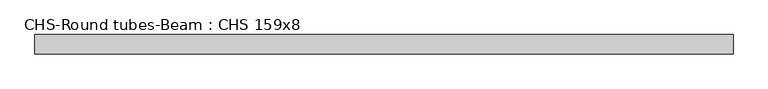
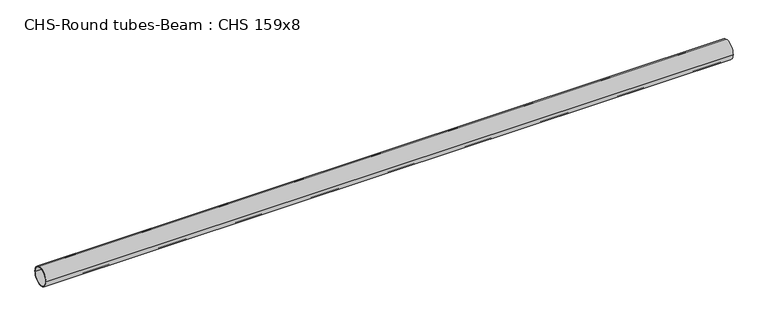
"""IFC4 building model written with IfcOpenShell, lengths in millimetres: beam geometry, CHS-Round tubes-Beam : CHS 159x8."""

from ifc_helpers import new_model, si_unit, point, frame, origin, origin_2d, place, context, project, spatial, circle_curve, trimmed, segment, composite_curve, outline, extrude, source, transform, mapped, element, save


def chs_round_tubes_beam_chs_159x8_0fb54612(model_context):
    return source(origin(), model_context, "Body", "SweptSolid", [
        extrude(outline(composite_curve([segment(trimmed(circle_curve(origin_2d(), 79.5), [point((79.5, 0.0))], [point((-79.5, 0.0))], False, "CARTESIAN"), True, "CONTINUOUS"), segment(trimmed(circle_curve(origin_2d(), 79.5), [point((-79.5, 0.0))], [point((79.5, 0.0))], False, "CARTESIAN"), True, "CONTINUOUS")], self_intersect=False), holes=[composite_curve([segment(trimmed(circle_curve(origin_2d(), 71.5), [point((71.5, 0.0))], [point((-71.5, 0.0))], True, "CARTESIAN"), True, "CONTINUOUS"), segment(trimmed(circle_curve(origin_2d(), 71.5), [point((-71.5, 0.0))], [point((71.5, 0.0))], True, "CARTESIAN"), True, "CONTINUOUS")], self_intersect=False)]), frame((-2806.5372807, 0.0, 0.0), z_axis=(1.0, 0.0, 0.0), x_axis=(0.0, 1.0, 0.0)), (0.0, 0.0, 1.0), 5768.0501236),
    ])


if __name__ == "__main__":
    model = new_model("IFC4")
    model_context = context("Model", 3, world=origin())
    ifc_project = project(units=[si_unit("LENGTHUNIT", "METRE", prefix="MILLI")], contexts=[model_context])
    site = spatial("IfcSite", under=ifc_project)
    building = spatial("IfcBuilding", under=site)
    placement = place(None, origin())
    chs_round_tubes_beam_chs_159x8_shape = chs_round_tubes_beam_chs_159x8_0fb54612(model_context)
    element("IfcBeam", 1, ObjectType="CHS-Round tubes-Beam : CHS 159x8", at=placement, inside=building, context=model_context, shape_type="MappedRepresentation", body=[
        mapped(chs_round_tubes_beam_chs_159x8_shape, transform((0.0, 0.0, 0.0), x_axis=(1.0, 0.0, 0.0), y_axis=(0.0, 1.0, 0.0), z_axis=(0.0, 0.0, 1.0))),
    ])
    save(model, "model.ifc")
